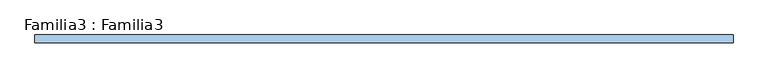
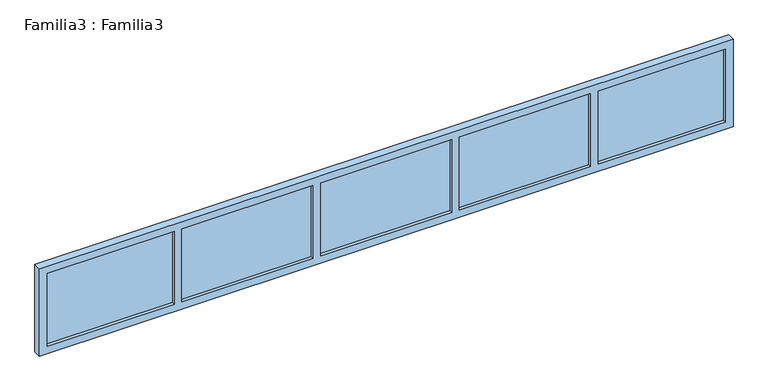
"""IFC4 building model written with IfcOpenShell, lengths in millimetres: window geometry, Familia3 : Familia3."""

from ifc_helpers import new_model, si_unit, frame, origin, place, context, project, spatial, polyline, outline, extrude, source, transform, mapped, element, save


def familia3_familia3_ce6f6d82(model_context):
    return source(origin(), model_context, "Body", "SweptSolid", [
        extrude(outline(polyline([(1400.0, 2250.0), (1400.0, -2250.0), (800.0, -2250.0), (800.0, 2250.0), (1400.0, 2250.0)]), holes=[polyline([(850.0, 2200.0), (850.0, 1375.0), (1350.0, 1375.0), (1350.0, 2200.0), (850.0, 2200.0)]), polyline([(1350.0, 1325.0), (850.0, 1325.0), (850.0, 475.0), (1350.0, 475.0), (1350.0, 1325.0)]), polyline([(850.0, 425.0), (850.0, -425.0), (1350.0, -425.0), (1350.0, 425.0), (850.0, 425.0)]), polyline([(1350.0, -475.0), (850.0, -475.0), (850.0, -1325.0), (1350.0, -1325.0), (1350.0, -475.0)]), polyline([(1350.0, -1375.0), (850.0, -1375.0), (850.0, -2200.0), (1350.0, -2200.0), (1350.0, -1375.0)])]), frame((0.0, -125.0, 0.0), z_axis=(0.0, 1.0, 0.0), x_axis=(0.0, 0.0, 1.0)), (0.0, 0.0, 1.0), 50.0),
        extrude(outline(polyline([(425.0, -105.0), (-425.0, -105.0), (-425.0, -95.0), (425.0, -95.0), (425.0, -105.0)])), frame((0.0, 0.0, 850.0), z_axis=(0.0, 0.0, 1.0), x_axis=(1.0, 0.0, 0.0)), (0.0, 0.0, 1.0), 500.0),
        extrude(outline(polyline([(2200.0, -105.0), (1375.0, -105.0), (1375.0, -95.0), (2200.0, -95.0), (2200.0, -105.0)])), frame((0.0, 0.0, 850.0), z_axis=(0.0, 0.0, 1.0), x_axis=(1.0, 0.0, 0.0)), (0.0, 0.0, 1.0), 500.0),
        extrude(outline(polyline([(-1375.0, -105.0), (-2200.0, -105.0), (-2200.0, -95.0), (-1375.0, -95.0), (-1375.0, -105.0)])), frame((0.0, 0.0, 850.0), z_axis=(0.0, 0.0, 1.0), x_axis=(1.0, 0.0, 0.0)), (0.0, 0.0, 1.0), 500.0),
        extrude(outline(polyline([(-475.0, -105.0), (-1325.0, -105.0), (-1325.0, -95.0), (-475.0, -95.0), (-475.0, -105.0)])), frame((0.0, 0.0, 850.0), z_axis=(0.0, 0.0, 1.0), x_axis=(1.0, 0.0, 0.0)), (0.0, 0.0, 1.0), 500.0),
        extrude(outline(polyline([(1325.0, -105.0), (475.0, -105.0), (475.0, -95.0), (1325.0, -95.0), (1325.0, -105.0)])), frame((0.0, 0.0, 850.0), z_axis=(0.0, 0.0, 1.0), x_axis=(1.0, 0.0, 0.0)), (0.0, 0.0, 1.0), 500.0),
    ])


if __name__ == "__main__":
    model = new_model("IFC4")
    model_context = context("Model", 3, world=origin())
    ifc_project = project(units=[si_unit("LENGTHUNIT", "METRE", prefix="MILLI")], contexts=[model_context])
    site = spatial("IfcSite", under=ifc_project)
    building = spatial("IfcBuilding", under=site)
    placement = place(None, origin())
    familia3_familia3_shape = familia3_familia3_ce6f6d82(model_context)
    element("IfcWindow", 1, ObjectType="Familia3 : Familia3", at=placement, inside=building, context=model_context, shape_type="MappedRepresentation", body=[
        mapped(familia3_familia3_shape, transform((0.0, 0.0, 0.0), x_axis=(1.0, 0.0, 0.0), y_axis=(0.0, 1.0, 0.0), z_axis=(0.0, 0.0, 1.0))),
    ])
    save(model, "model.ifc")
